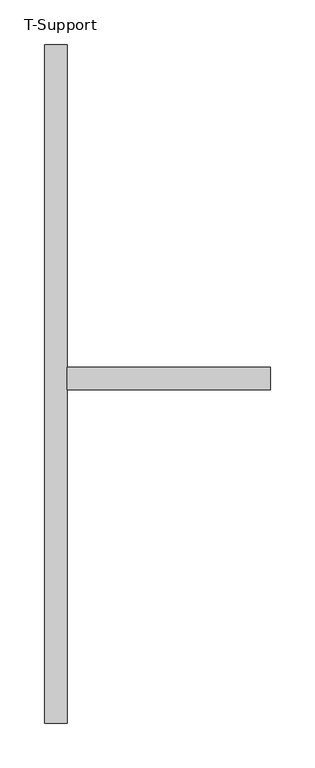
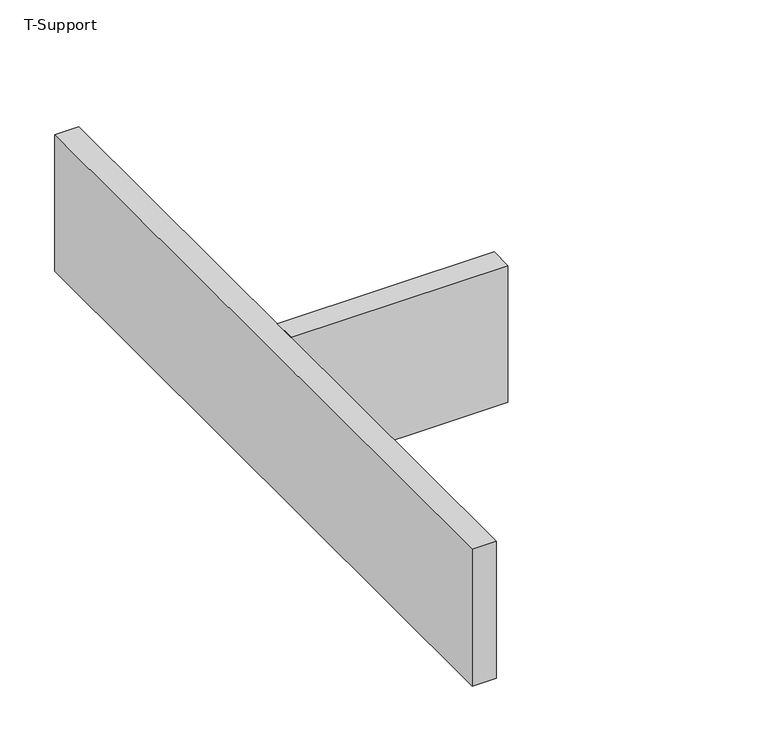
"""IFC4 building model written with IfcOpenShell, lengths in millimetres: furniture geometry, T-Support."""

import ifcopenshell
import ifcopenshell.guid

model = None  # the IFC model being written
_history = None  # IfcOwnerHistory: only IFC2X3 demands one
_inside = {}  # id of a spatial element -> (the spatial element, [elements in it])
_under = {}  # id of a project, library or spatial element -> (it, [spatial elements below it])
_declared = {}  # id of a project -> (the project, [libraries it declares])
_typed = {}  # id of a type object -> (the type object, [elements of that type])
_made_of = {}  # id of a material, layer set ... -> (it, [elements and type objects made of it])


def new_model(schema):
    """Start an empty IFC model of exactly this schema.

    Asked for "IFC4X3", IfcOpenShell would pick the latest addendum, in which some entities
    have other attributes; the version numbers below select the first issue.
    IFC2X3 requires an IfcOwnerHistory on every rooted entity: one is made here for all.
    """
    global model, _history
    if schema == "IFC4X3":
        model = ifcopenshell.file(schema_version=(4, 3, 0, 0))
    else:
        model = ifcopenshell.file(schema=schema)
    _inside.clear()
    _under.clear()
    _declared.clear()
    _typed.clear()
    _made_of.clear()
    _history = None
    if model.schema == "IFC2X3":
        org = make("IfcOrganization", Name="unknown")
        user = make(
            "IfcPersonAndOrganization",
            ThePerson=make("IfcPerson", FamilyName="unknown"),
            TheOrganization=org,
        )
        app = make(
            "IfcApplication",
            ApplicationDeveloper=org,
            Version="unknown",
            ApplicationFullName="unknown",
            ApplicationIdentifier="unknown",
        )
        _history = make(
            "IfcOwnerHistory",
            OwningUser=user,
            OwningApplication=app,
            ChangeAction="ADDED",
            CreationDate=0,
        )
    return model


def make(cls, **values):
    """One entity of the class cls with the attributes given. An attribute that is None is left unset."""
    return model.create_entity(
        cls, **{name: value for name, value in values.items() if value is not None}
    )


def rooted(cls, **values):
    """An entity with a GlobalId (a new one), such as an element, a storey or a relation."""
    return make(cls, GlobalId=ifcopenshell.guid.new(), OwnerHistory=_history, **values)


def si_unit(unit_type, name, prefix=None):
    """IfcSIUnit, for example si_unit("LENGTHUNIT", "METRE", prefix="MILLI")."""
    return make("IfcSIUnit", UnitType=unit_type, Prefix=prefix, Name=name)


def assignment(units):
    """IfcUnitAssignment: the units of a project."""
    return None if units is None else make("IfcUnitAssignment", Units=units)


def point(xyz):
    """IfcCartesianPoint."""
    return None if xyz is None else make("IfcCartesianPoint", Coordinates=xyz)


def direction(xyz):
    """IfcDirection."""
    return None if xyz is None else make("IfcDirection", DirectionRatios=xyz)


def frame(location, z_axis=None, x_axis=None):
    """IfcAxis2Placement3D, a coordinate frame: its origin and axes. An axis left out is left unset."""
    return make(
        "IfcAxis2Placement3D",
        Location=point(location),
        Axis=direction(z_axis),
        RefDirection=direction(x_axis),
    )


def origin():
    """The frame at (0, 0, 0) with its axes left unset."""
    return frame((0.0, 0.0, 0.0))


def origin_with_axes():
    """The frame at (0, 0, 0) with the z axis (0, 0, 1) and the x axis (1, 0, 0) written out."""
    return frame((0.0, 0.0, 0.0), z_axis=(0.0, 0.0, 1.0), x_axis=(1.0, 0.0, 0.0))


def place(relative_to, where):
    """IfcLocalPlacement: puts the frame where relative to a parent placement (None: the world)."""
    return make(
        "IfcLocalPlacement", PlacementRelTo=relative_to, RelativePlacement=where
    )


def context(
    kind, dimensions, precision=None, world=None, true_north=None, identifier=None
):
    """IfcGeometricRepresentationContext, for example the 3D "Model" context."""
    return make(
        "IfcGeometricRepresentationContext",
        ContextIdentifier=identifier,
        ContextType=kind,
        CoordinateSpaceDimension=dimensions,
        Precision=precision,
        WorldCoordinateSystem=world,
        TrueNorth=true_north,
    )


def project(units=None, contexts=None):
    """IfcProject with its units and contexts."""
    return rooted(
        "IfcProject",
        Name="project",
        RepresentationContexts=contexts,
        UnitsInContext=assignment(units),
    )


def spatial(cls, under=None, at=None, **own):
    """A site, building, storey or space (cls), placed at a placement, below another one or the project."""
    s = rooted(cls, ObjectPlacement=at, **own)
    if under is not None:
        _under.setdefault(under.id(), (under, []))[1].append(s)
    return s


def polyline(points):
    """IfcPolyline through the points."""
    return make("IfcPolyline", Points=[point(p) for p in points])


def outline(outer, holes=None, kind="AREA"):
    """IfcArbitraryClosedProfileDef: a profile drawn as a closed curve; with holes, ...WithVoids."""
    if holes is None:
        return make("IfcArbitraryClosedProfileDef", ProfileType=kind, OuterCurve=outer)
    return make(
        "IfcArbitraryProfileDefWithVoids",
        ProfileType=kind,
        OuterCurve=outer,
        InnerCurves=holes,
    )


def extrude(swept, where, along, depth):
    """IfcExtrudedAreaSolid: the profile swept, set in the frame where, extruded along a direction by depth."""
    return make(
        "IfcExtrudedAreaSolid",
        SweptArea=swept,
        Position=where,
        ExtrudedDirection=direction(along),
        Depth=depth,
    )


def shape(context_of_items, identifier, shape_type, items):
    """IfcShapeRepresentation: the items that make up one representation, for example the "Body"."""
    return make(
        "IfcShapeRepresentation",
        ContextOfItems=context_of_items,
        RepresentationIdentifier=identifier,
        RepresentationType=shape_type,
        Items=items,
    )


def source(mapping_origin, context_of_items, identifier, shape_type, items):
    """IfcRepresentationMap: a shape defined once, which mapped items show again and again."""
    return make(
        "IfcRepresentationMap",
        MappingOrigin=mapping_origin,
        MappedRepresentation=shape(context_of_items, identifier, shape_type, items),
    )


def transform(
    local_origin,
    x_axis=None,
    y_axis=None,
    z_axis=None,
    scale=None,
    scale2=None,
    scale3=None,
    uniform=True,
):
    """IfcCartesianTransformationOperator3D, or its non-uniform kind. x_axis, y_axis, z_axis: its Axis1, 2, 3."""
    if uniform:
        return make(
            "IfcCartesianTransformationOperator3D",
            Axis1=direction(x_axis),
            Axis2=direction(y_axis),
            LocalOrigin=point(local_origin),
            Scale=scale,
            Axis3=direction(z_axis),
        )
    return make(
        "IfcCartesianTransformationOperator3DnonUniform",
        Axis1=direction(x_axis),
        Axis2=direction(y_axis),
        LocalOrigin=point(local_origin),
        Scale=scale,
        Axis3=direction(z_axis),
        Scale2=scale2,
        Scale3=scale3,
    )


def mapped(mapping_source, mapping_target):
    """IfcMappedItem: shows the shape of a source again, moved by a transform."""
    return make(
        "IfcMappedItem", MappingSource=mapping_source, MappingTarget=mapping_target
    )


def made_of(thing, what):
    """Note that an element or type object is made of a material, layer set ...; save() writes the relation."""
    if what is not None:
        _made_of.setdefault(what.id(), (what, []))[1].append(thing)
    return thing


def element(
    cls,
    number,
    at=None,
    inside=None,
    cuts=None,
    type_object=None,
    material=None,
    context=None,
    identifier="Body",
    shape_type=None,
    held_by="IfcProductDefinitionShape",
    body=None,
    shapes=None,
    **own,
):
    """One element of the class cls, such as IfcWall. Its Tag is "e" and its number.

    at: its placement. inside: the storey or other place that contains it. cuts: it is an
    opening in that element (IfcRelVoidsElement). A single representation is given by context,
    identifier, shape_type and body (its items); several are given by shapes. held_by: the class
    of the entity that holds the representations. save() writes the other relations.
    """
    e = rooted(cls, Tag="e%d" % number, ObjectPlacement=at, **own)
    if body is not None:
        shapes = [shape(context, identifier, shape_type, body)]
    if shapes is not None:
        e.Representation = make(held_by, Representations=shapes)
    if inside is not None:
        _inside.setdefault(inside.id(), (inside, []))[1].append(e)
    if cuts is not None:
        rooted(
            "IfcRelVoidsElement", RelatingBuildingElement=cuts, RelatedOpeningElement=e
        )
    if type_object is not None:
        _typed.setdefault(type_object.id(), (type_object, []))[1].append(e)
    return made_of(e, material)


def aggregate(whole, parts):
    """IfcRelAggregates: a whole, such as a stair, and the parts it consists of."""
    return rooted("IfcRelAggregates", RelatingObject=whole, RelatedObjects=parts)


def save(model, path):
    """Write the relations noted so far, then the file.

    IfcRelAggregates (storeys below a building ...), IfcRelContainedInSpatialStructure (elements
    in a storey), IfcRelDefinesByType, IfcRelAssociatesMaterial and IfcRelDeclares: one each for
    every whole, place, type object, material and project.
    """
    for whole, parts in _under.values():
        aggregate(whole, parts)
    for where, things in _inside.values():
        rooted(
            "IfcRelContainedInSpatialStructure",
            RelatedElements=things,
            RelatingStructure=where,
        )
    for kind, things in _typed.values():
        rooted("IfcRelDefinesByType", RelatedObjects=things, RelatingType=kind)
    for what, things in _made_of.values():
        rooted("IfcRelAssociatesMaterial", RelatedObjects=things, RelatingMaterial=what)
    for by, libraries in _declared.values():
        rooted("IfcRelDeclares", RelatingContext=by, RelatedDefinitions=libraries)
    model.write(path)


def t_support_7c7079c9(model_context):
    return source(origin(), model_context, "Body", "SweptSolid", [
        extrude(outline(polyline([(-254.3251636, -313.4648285), (-25.7251636, -313.4648285), (-25.7251636, -338.8648285), (-254.3251636, -338.8648285), (-254.3251636, -313.4648285)])), origin_with_axes(), (0.0, 0.0, 1.0), 152.4),
        extrude(outline(polyline([(-279.7251636, -713.5148285), (-279.7251636, 48.4638907), (-254.3251636, 48.4638907), (-254.3251636, -713.5148285), (-279.7251636, -713.5148285)])), origin_with_axes(), (0.0, 0.0, 1.0), 152.4),
    ])


if __name__ == "__main__":
    model = new_model("IFC4")
    model_context = context("Model", 3, world=origin())
    ifc_project = project(units=[si_unit("LENGTHUNIT", "METRE", prefix="MILLI")], contexts=[model_context])
    site = spatial("IfcSite", under=ifc_project)
    building = spatial("IfcBuilding", under=site)
    placement = place(None, origin())
    t_support_shape = t_support_7c7079c9(model_context)
    element("IfcFurniture", 1, ObjectType="T-Support", at=placement, inside=building, context=model_context, shape_type="MappedRepresentation", body=[
        mapped(t_support_shape, transform((0.0, 0.0, 0.0), x_axis=(1.0, 0.0, 0.0), y_axis=(0.0, 1.0, 0.0), z_axis=(0.0, 0.0, 1.0))),
    ])
    save(model, "model.ifc")
